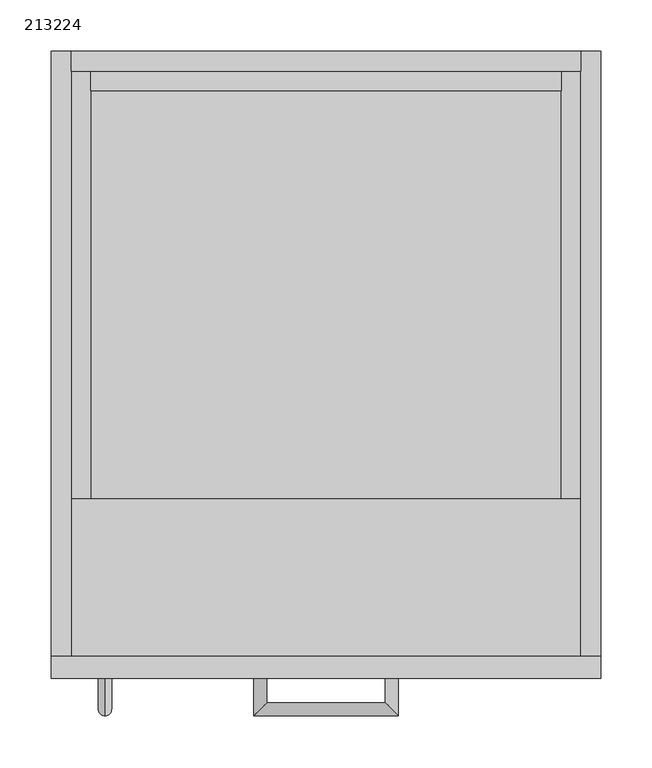
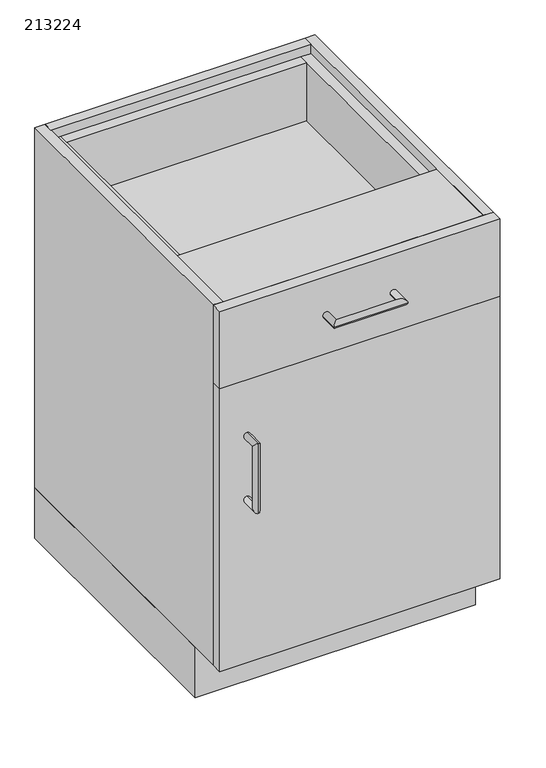
"""IFC4 building model written with IfcOpenShell, lengths in millimetres: furniture geometry, 213224."""

import ifcopenshell
import ifcopenshell.guid

model = None  # the IFC model being written
_history = None  # IfcOwnerHistory: only IFC2X3 demands one
_inside = {}  # id of a spatial element -> (the spatial element, [elements in it])
_under = {}  # id of a project, library or spatial element -> (it, [spatial elements below it])
_declared = {}  # id of a project -> (the project, [libraries it declares])
_typed = {}  # id of a type object -> (the type object, [elements of that type])
_made_of = {}  # id of a material, layer set ... -> (it, [elements and type objects made of it])


def new_model(schema):
    """Start an empty IFC model of exactly this schema.

    Asked for "IFC4X3", IfcOpenShell would pick the latest addendum, in which some entities
    have other attributes; the version numbers below select the first issue.
    IFC2X3 requires an IfcOwnerHistory on every rooted entity: one is made here for all.
    """
    global model, _history
    if schema == "IFC4X3":
        model = ifcopenshell.file(schema_version=(4, 3, 0, 0))
    else:
        model = ifcopenshell.file(schema=schema)
    _inside.clear()
    _under.clear()
    _declared.clear()
    _typed.clear()
    _made_of.clear()
    _history = None
    if model.schema == "IFC2X3":
        org = make("IfcOrganization", Name="unknown")
        user = make(
            "IfcPersonAndOrganization",
            ThePerson=make("IfcPerson", FamilyName="unknown"),
            TheOrganization=org,
        )
        app = make(
            "IfcApplication",
            ApplicationDeveloper=org,
            Version="unknown",
            ApplicationFullName="unknown",
            ApplicationIdentifier="unknown",
        )
        _history = make(
            "IfcOwnerHistory",
            OwningUser=user,
            OwningApplication=app,
            ChangeAction="ADDED",
            CreationDate=0,
        )
    return model


def make(cls, **values):
    """One entity of the class cls with the attributes given. An attribute that is None is left unset."""
    return model.create_entity(
        cls, **{name: value for name, value in values.items() if value is not None}
    )


def rooted(cls, **values):
    """An entity with a GlobalId (a new one), such as an element, a storey or a relation."""
    return make(cls, GlobalId=ifcopenshell.guid.new(), OwnerHistory=_history, **values)


def si_unit(unit_type, name, prefix=None):
    """IfcSIUnit, for example si_unit("LENGTHUNIT", "METRE", prefix="MILLI")."""
    return make("IfcSIUnit", UnitType=unit_type, Prefix=prefix, Name=name)


def assignment(units):
    """IfcUnitAssignment: the units of a project."""
    return None if units is None else make("IfcUnitAssignment", Units=units)


def point(xyz):
    """IfcCartesianPoint."""
    return None if xyz is None else make("IfcCartesianPoint", Coordinates=xyz)


def direction(xyz):
    """IfcDirection."""
    return None if xyz is None else make("IfcDirection", DirectionRatios=xyz)


def frame(location, z_axis=None, x_axis=None):
    """IfcAxis2Placement3D, a coordinate frame: its origin and axes. An axis left out is left unset."""
    return make(
        "IfcAxis2Placement3D",
        Location=point(location),
        Axis=direction(z_axis),
        RefDirection=direction(x_axis),
    )


def origin():
    """The frame at (0, 0, 0) with its axes left unset."""
    return frame((0.0, 0.0, 0.0))


def origin_with_axes():
    """The frame at (0, 0, 0) with the z axis (0, 0, 1) and the x axis (1, 0, 0) written out."""
    return frame((0.0, 0.0, 0.0), z_axis=(0.0, 0.0, 1.0), x_axis=(1.0, 0.0, 0.0))


def place(relative_to, where):
    """IfcLocalPlacement: puts the frame where relative to a parent placement (None: the world)."""
    return make(
        "IfcLocalPlacement", PlacementRelTo=relative_to, RelativePlacement=where
    )


def context(
    kind, dimensions, precision=None, world=None, true_north=None, identifier=None
):
    """IfcGeometricRepresentationContext, for example the 3D "Model" context."""
    return make(
        "IfcGeometricRepresentationContext",
        ContextIdentifier=identifier,
        ContextType=kind,
        CoordinateSpaceDimension=dimensions,
        Precision=precision,
        WorldCoordinateSystem=world,
        TrueNorth=true_north,
    )


def project(units=None, contexts=None):
    """IfcProject with its units and contexts."""
    return rooted(
        "IfcProject",
        Name="project",
        RepresentationContexts=contexts,
        UnitsInContext=assignment(units),
    )


def spatial(cls, under=None, at=None, **own):
    """A site, building, storey or space (cls), placed at a placement, below another one or the project."""
    s = rooted(cls, ObjectPlacement=at, **own)
    if under is not None:
        _under.setdefault(under.id(), (under, []))[1].append(s)
    return s


def polyline(points):
    """IfcPolyline through the points."""
    return make("IfcPolyline", Points=[point(p) for p in points])


def circle_curve(where, radius):
    """IfcCircle in the frame where."""
    return make("IfcCircle", Position=where, Radius=radius)


def ellipse_curve(where, semi_axis1, semi_axis2):
    """IfcEllipse in the frame where."""
    return make(
        "IfcEllipse", Position=where, SemiAxis1=semi_axis1, SemiAxis2=semi_axis2
    )


def outline(outer, holes=None, kind="AREA"):
    """IfcArbitraryClosedProfileDef: a profile drawn as a closed curve; with holes, ...WithVoids."""
    if holes is None:
        return make("IfcArbitraryClosedProfileDef", ProfileType=kind, OuterCurve=outer)
    return make(
        "IfcArbitraryProfileDefWithVoids",
        ProfileType=kind,
        OuterCurve=outer,
        InnerCurves=holes,
    )


def extrude(swept, where, along, depth):
    """IfcExtrudedAreaSolid: the profile swept, set in the frame where, extruded along a direction by depth."""
    return make(
        "IfcExtrudedAreaSolid",
        SweptArea=swept,
        Position=where,
        ExtrudedDirection=direction(along),
        Depth=depth,
    )


def shape(context_of_items, identifier, shape_type, items):
    """IfcShapeRepresentation: the items that make up one representation, for example the "Body"."""
    return make(
        "IfcShapeRepresentation",
        ContextOfItems=context_of_items,
        RepresentationIdentifier=identifier,
        RepresentationType=shape_type,
        Items=items,
    )


def source(mapping_origin, context_of_items, identifier, shape_type, items):
    """IfcRepresentationMap: a shape defined once, which mapped items show again and again."""
    return make(
        "IfcRepresentationMap",
        MappingOrigin=mapping_origin,
        MappedRepresentation=shape(context_of_items, identifier, shape_type, items),
    )


def transform(
    local_origin,
    x_axis=None,
    y_axis=None,
    z_axis=None,
    scale=None,
    scale2=None,
    scale3=None,
    uniform=True,
):
    """IfcCartesianTransformationOperator3D, or its non-uniform kind. x_axis, y_axis, z_axis: its Axis1, 2, 3."""
    if uniform:
        return make(
            "IfcCartesianTransformationOperator3D",
            Axis1=direction(x_axis),
            Axis2=direction(y_axis),
            LocalOrigin=point(local_origin),
            Scale=scale,
            Axis3=direction(z_axis),
        )
    return make(
        "IfcCartesianTransformationOperator3DnonUniform",
        Axis1=direction(x_axis),
        Axis2=direction(y_axis),
        LocalOrigin=point(local_origin),
        Scale=scale,
        Axis3=direction(z_axis),
        Scale2=scale2,
        Scale3=scale3,
    )


def mapped(mapping_source, mapping_target):
    """IfcMappedItem: shows the shape of a source again, moved by a transform."""
    return make(
        "IfcMappedItem", MappingSource=mapping_source, MappingTarget=mapping_target
    )


def made_of(thing, what):
    """Note that an element or type object is made of a material, layer set ...; save() writes the relation."""
    if what is not None:
        _made_of.setdefault(what.id(), (what, []))[1].append(thing)
    return thing


def element(
    cls,
    number,
    at=None,
    inside=None,
    cuts=None,
    type_object=None,
    material=None,
    context=None,
    identifier="Body",
    shape_type=None,
    held_by="IfcProductDefinitionShape",
    body=None,
    shapes=None,
    **own,
):
    """One element of the class cls, such as IfcWall. Its Tag is "e" and its number.

    at: its placement. inside: the storey or other place that contains it. cuts: it is an
    opening in that element (IfcRelVoidsElement). A single representation is given by context,
    identifier, shape_type and body (its items); several are given by shapes. held_by: the class
    of the entity that holds the representations. save() writes the other relations.
    """
    e = rooted(cls, Tag="e%d" % number, ObjectPlacement=at, **own)
    if body is not None:
        shapes = [shape(context, identifier, shape_type, body)]
    if shapes is not None:
        e.Representation = make(held_by, Representations=shapes)
    if inside is not None:
        _inside.setdefault(inside.id(), (inside, []))[1].append(e)
    if cuts is not None:
        rooted(
            "IfcRelVoidsElement", RelatingBuildingElement=cuts, RelatedOpeningElement=e
        )
    if type_object is not None:
        _typed.setdefault(type_object.id(), (type_object, []))[1].append(e)
    return made_of(e, material)


def aggregate(whole, parts):
    """IfcRelAggregates: a whole, such as a stair, and the parts it consists of."""
    return rooted("IfcRelAggregates", RelatingObject=whole, RelatedObjects=parts)


def save(model, path):
    """Write the relations noted so far, then the file.

    IfcRelAggregates (storeys below a building ...), IfcRelContainedInSpatialStructure (elements
    in a storey), IfcRelDefinesByType, IfcRelAssociatesMaterial and IfcRelDeclares: one each for
    every whole, place, type object, material and project.
    """
    for whole, parts in _under.values():
        aggregate(whole, parts)
    for where, things in _inside.values():
        rooted(
            "IfcRelContainedInSpatialStructure",
            RelatedElements=things,
            RelatingStructure=where,
        )
    for kind, things in _typed.values():
        rooted("IfcRelDefinesByType", RelatedObjects=things, RelatingType=kind)
    for what, things in _made_of.values():
        rooted("IfcRelAssociatesMaterial", RelatedObjects=things, RelatingMaterial=what)
    for by, libraries in _declared.values():
        rooted("IfcRelDeclares", RelatingContext=by, RelatedDefinitions=libraries)
    model.write(path)


def plane_surface(at):
    """IfcPlane: the flat surface through the origin of the frame at, square to its z axis."""
    return make("IfcPlane", Position=at)


def cylinder_surface(at, radius):
    """IfcCylindricalSurface: all points at the distance radius from the z axis of the frame at."""
    return make("IfcCylindricalSurface", Position=at, Radius=radius)


def advanced_brep(points, edges, surfaces, faces):
    """IfcAdvancedBrep: a solid bounded by faces that lie on surfaces and meet in shared edges.

    An edge is (start, end): straight between two places in points (the first is 0);
    or (start, end, curve); or (start, end, curve, False) where it runs against its curve.
    A face is (place in surfaces, loops), or (place, loops, False) where it looks against
    its surface's normal. A loop lists edges by number (the first is 1), with a minus sign
    where the edge is run from its end to its start. The first loop is the outer one.
    """
    corners = [point(p) for p in points]
    vertices = [make("IfcVertexPoint", VertexGeometry=c) for c in corners]
    made = []
    for start, end, *more in edges:
        made.append(
            make(
                "IfcEdgeCurve",
                EdgeStart=vertices[start],
                EdgeEnd=vertices[end],
                EdgeGeometry=more[0] if more else make("IfcPolyline", Points=[corners[start], corners[end]]),
                SameSense=more[1] if len(more) > 1 else True,
            )
        )
    hull = []
    for where, loops, *sense in faces:
        bounds = []
        for j, loop in enumerate(loops):
            ring = [make("IfcOrientedEdge", EdgeElement=made[abs(k) - 1], Orientation=k > 0) for k in loop]
            bounds.append(
                make(
                    "IfcFaceOuterBound" if j == 0 else "IfcFaceBound",
                    Bound=make("IfcEdgeLoop", EdgeList=ring),
                    Orientation=True,
                )
            )
        hull.append(make("IfcAdvancedFace", Bounds=bounds, FaceSurface=surfaces[where], SameSense=sense[0] if sense else True))
    return make("IfcAdvancedBrep", Outer=make("IfcClosedShell", CfsFaces=hull))


def furniture_213224_f590a1a5(model_context):
    return source(origin(), model_context, "Body", "SolidModel", [
        extrude(outline(polyline([(-209.5622951, -19.2), (247.0377049, -19.2), (247.0377049, -38.4), (-209.5622951, -38.4), (-209.5622951, -19.2)])), frame((0.0, 0.0, 689.125), z_axis=(0.0, 0.0, 1.0), x_axis=(1.0, 0.0, 0.0)), (0.0, 0.0, 1.0), 117.175),
        extrude(outline(polyline([(806.3, -209.5622951), (806.3, -228.7622951), (669.925, -228.7622951), (669.925, 266.2377049), (806.3, 266.2377049), (806.3, 247.0377049), (689.125, 247.0377049), (689.125, -209.5622951), (806.3, -209.5622951)])), frame((0.0, -587.6, 0.0), z_axis=(0.0, 1.0, 0.0), x_axis=(0.0, 0.0, 1.0)), (0.0, 0.0, 1.0), 568.4),
        extrude(outline(polyline([(-247.9622951, 0.0), (285.4377049, 0.0), (285.4377049, -528.6), (-247.9622951, -528.6), (-247.9622951, 0.0)]), holes=[polyline([(-228.7622951, -509.4), (266.2377049, -509.4), (266.2377049, -19.2), (-228.7622951, -19.2), (-228.7622951, -509.4)])]), origin_with_axes(), (0.0, 0.0, 1.0), 101.5996875),
        extrude(outline(polyline([(266.2377049, -587.6), (-228.7622951, -587.6), (-228.7622951, -19.2), (266.2377049, -19.2), (266.2377049, -587.6)])), frame((0.0, 0.0, 101.5996875), z_axis=(0.0, 0.0, 1.0), x_axis=(1.0, 0.0, 0.0)), (0.0, 0.0, 1.0), 19.2),
        extrude(outline(polyline([(266.2377049, 0.0), (266.2377049, -19.2), (-228.7622951, -19.2), (-228.7622951, 0.0), (266.2377049, 0.0)])), frame((0.0, 0.0, 101.5996875), z_axis=(0.0, 0.0, 1.0), x_axis=(1.0, 0.0, 0.0)), (0.0, 0.0, 1.0), 723.9003125),
        extrude(outline(polyline([(-228.7622951, 0.0), (-228.7622951, -587.6), (-247.9622951, -587.6), (-247.9622951, 0.0), (-228.7622951, 0.0)])), frame((0.0, 0.0, 101.5996875), z_axis=(0.0, 0.0, 1.0), x_axis=(1.0, 0.0, 0.0)), (0.0, 0.0, 1.0), 723.9003125),
        extrude(outline(polyline([(285.4377049, 0.0), (285.4377049, -587.6), (266.2377049, -587.6), (266.2377049, 0.0), (285.4377049, 0.0)])), frame((0.0, 0.0, 101.5996875), z_axis=(0.0, 0.0, 1.0), x_axis=(1.0, 0.0, 0.0)), (0.0, 0.0, 1.0), 723.9003125),
        extrude(outline(polyline([(-228.7622951, -587.6), (-228.7622951, -435.2), (266.2377049, -435.2), (266.2377049, -587.6), (-228.7622951, -587.6)])), frame((0.0, 0.0, 806.3), z_axis=(0.0, 0.0, 1.0), x_axis=(1.0, 0.0, 0.0)), (0.0, 0.0, 1.0), 19.2),
        extrude(outline(polyline([(266.2377049, -19.2), (266.2377049, -587.6), (-228.7622951, -587.6), (-228.7622951, -19.2), (266.2377049, -19.2)])), frame((0.0, 0.0, 385.7623437), z_axis=(0.0, 0.0, 1.0), x_axis=(1.0, 0.0, 0.0)), (0.0, 0.0, 1.0), 19.2),
        advanced_brep(
        [(-195.9622951, -609.6, 551.575), (-195.9622951, -609.6, 564.275), (-195.9622951, -633.25, 551.575), (-195.9622951, -645.95, 564.275), (-195.9622951, -633.25, 436.275), (-195.9622951, -645.95, 423.575), (-195.9622951, -609.6, 436.275), (-195.9622951, -609.6, 423.575)],
        [
            (0, 1, circle_curve(frame((-195.9622951, -609.6, 557.925), z_axis=(0.0, 1.0, 0.0), x_axis=(0.0, 0.0, 1.0)), 6.35)),
            (1, 0, circle_curve(frame((-195.9622951, -609.6, 557.925), z_axis=(0.0, 1.0, 0.0), x_axis=(0.0, 0.0, 1.0)), 6.35)),
            (0, 2),
            (2, 3, ellipse_curve(frame((-195.9622951, -639.6, 557.925), z_axis=(0.0, 0.7071067811865475, 0.7071067811865475), x_axis=(0.0, 0.7071067811865476, -0.7071067811865474)), 8.9802561, 6.35)),
            (3, 1),
            (3, 2, ellipse_curve(frame((-195.9622951, -639.6, 557.925), z_axis=(0.0, 0.7071067811865475, 0.7071067811865475), x_axis=(0.0, 0.7071067811865476, -0.7071067811865474)), 8.9802561, 6.35)),
            (2, 4),
            (4, 5, ellipse_curve(frame((-195.9622951, -639.6, 429.925), z_axis=(0.0, -0.7071067811865475, 0.7071067811865475), x_axis=(0.0, 0.7071067811865474, 0.7071067811865476)), 8.9802561, 6.35)),
            (5, 3),
            (5, 4, ellipse_curve(frame((-195.9622951, -639.6, 429.925), z_axis=(0.0, -0.7071067811865475, 0.7071067811865475), x_axis=(0.0, 0.7071067811865474, 0.7071067811865476)), 8.9802561, 6.35)),
            (6, 7, circle_curve(frame((-195.9622951, -609.6, 429.925), z_axis=(0.0, 1.0, 0.0), x_axis=(0.0, 0.0, -1.0)), 6.35)),
            (7, 6, circle_curve(frame((-195.9622951, -609.6, 429.925), z_axis=(0.0, 1.0, 0.0), x_axis=(0.0, 0.0, -1.0)), 6.35)),
            (4, 6),
            (7, 5),
        ],
        [
            plane_surface(frame((-195.9622951, -609.6, 557.925), z_axis=(0.0, 1.0, 0.0), x_axis=(-1.0, 0.0, 0.0))),
            cylinder_surface(frame((-195.9622951, -609.6, 557.925), z_axis=(0.0, 1.0, 0.0), x_axis=(0.0, 0.0, 1.0)), 6.35),
            cylinder_surface(frame((-195.9622951, -639.6, 557.925), z_axis=(0.0, 0.0, 1.0), x_axis=(0.0, -1.0, 0.0)), 6.35),
            plane_surface(frame((-195.9622951, -609.6, 429.925), z_axis=(0.0, 1.0, 0.0), x_axis=(-1.0, 0.0, 0.0))),
            cylinder_surface(frame((-195.9622951, -639.6, 429.925), z_axis=(0.0, -1.0, 0.0), x_axis=(0.0, 0.0, -1.0)), 6.35),
        ],
        [
            (0, [[1, 2]]),
            (1, [[-1, 3, 4, 5]]),
            (1, [[-2, -5, 6, -3]]),
            (2, [[-4, 7, 8, 9]]),
            (2, [[-6, -9, 10, -7]]),
            (3, [[11, 12]]),
            (4, [[-8, 13, -12, 14]]),
            (4, [[-10, -14, -11, -13]]),
        ],
    ),
        advanced_brep(
        [(-51.6122951, -609.6, 747.7125), (-38.9122951, -609.6, 747.7125), (-51.6122951, -645.95, 747.7125), (-38.9122951, -633.25, 747.7125), (89.0877049, -645.95, 747.7125), (76.3877049, -633.25, 747.7125), (89.0877049, -609.6, 747.7125), (76.3877049, -609.6, 747.7125)],
        [
            (0, 1, circle_curve(frame((-45.2622951, -609.6, 747.7125), z_axis=(0.0, 1.0, 0.0), x_axis=(1.0, 0.0, 0.0)), 6.35)),
            (1, 0, circle_curve(frame((-45.2622951, -609.6, 747.7125), z_axis=(0.0, 1.0, 0.0), x_axis=(1.0, 0.0, 0.0)), 6.35)),
            (0, 2),
            (2, 3, ellipse_curve(frame((-45.2622951, -639.6, 747.7125), z_axis=(-0.7071067811865475, 0.7071067811865475, 0.0), x_axis=(0.7071067811865474, 0.7071067811865476, 0.0)), 8.9802561, 6.35)),
            (3, 1),
            (3, 2, ellipse_curve(frame((-45.2622951, -639.6, 747.7125), z_axis=(-0.7071067811865475, 0.7071067811865475, 0.0), x_axis=(0.7071067811865474, 0.7071067811865476, 0.0)), 8.9802561, 6.35)),
            (2, 4),
            (4, 5, ellipse_curve(frame((82.7377049, -639.6, 747.7125), z_axis=(-0.7071067811865475, -0.7071067811865475, 0.0), x_axis=(-0.7071067811865476, 0.7071067811865474, 0.0)), 8.9802561, 6.35)),
            (5, 3),
            (5, 4, ellipse_curve(frame((82.7377049, -639.6, 747.7125), z_axis=(-0.7071067811865475, -0.7071067811865475, 0.0), x_axis=(-0.7071067811865476, 0.7071067811865474, 0.0)), 8.9802561, 6.35)),
            (6, 7, circle_curve(frame((82.7377049, -609.6, 747.7125), z_axis=(0.0, 1.0, 0.0), x_axis=(-1.0, 0.0, 0.0)), 6.35)),
            (7, 6, circle_curve(frame((82.7377049, -609.6, 747.7125), z_axis=(0.0, 1.0, 0.0), x_axis=(-1.0, 0.0, 0.0)), 6.35)),
            (4, 6),
            (7, 5),
        ],
        [
            plane_surface(frame((-45.2622951, -609.6, 747.7125), z_axis=(0.0, 1.0, 0.0), x_axis=(0.0, 0.0, 1.0))),
            cylinder_surface(frame((-45.2622951, -609.6, 747.7125), z_axis=(0.0, 1.0, 0.0), x_axis=(1.0, 0.0, 0.0)), 6.35),
            cylinder_surface(frame((-45.2622951, -639.6, 747.7125), z_axis=(-1.0, 0.0, 0.0), x_axis=(0.0, 1.0, 0.0)), 6.35),
            plane_surface(frame((82.7377049, -609.6, 747.7125), z_axis=(0.0, 1.0, 0.0), x_axis=(0.0, 0.0, 1.0))),
            cylinder_surface(frame((82.7377049, -639.6, 747.7125), z_axis=(0.0, -1.0, 0.0), x_axis=(-1.0, 0.0, 0.0)), 6.35),
        ],
        [
            (0, [[1, 2]]),
            (1, [[-1, 3, 4, 5]]),
            (1, [[-2, -5, 6, -3]]),
            (2, [[-4, 7, 8, 9]]),
            (2, [[-6, -9, 10, -7]]),
            (3, [[11, 12]]),
            (4, [[-8, 13, -12, 14]]),
            (4, [[-10, -14, -11, -13]]),
        ],
    ),
        extrude(outline(polyline([(-247.9622951, -609.6), (-247.9622951, -587.6), (285.4377049, -587.6), (285.4377049, -609.6), (-247.9622951, -609.6)])), frame((0.0, 0.0, 669.925), z_axis=(0.0, 0.0, 1.0), x_axis=(1.0, 0.0, 0.0)), (0.0, 0.0, 1.0), 155.575),
        extrude(outline(polyline([(-247.9622951, -587.6), (285.4377049, -587.6), (285.4377049, -609.6), (-247.9622951, -609.6), (-247.9622951, -587.6)])), frame((0.0, 0.0, 101.5996875), z_axis=(0.0, 0.0, 1.0), x_axis=(1.0, 0.0, 0.0)), (0.0, 0.0, 1.0), 568.3253125),
    ])


if __name__ == "__main__":
    model = new_model("IFC4")
    model_context = context("Model", 3, world=origin())
    ifc_project = project(units=[si_unit("LENGTHUNIT", "METRE", prefix="MILLI")], contexts=[model_context])
    site = spatial("IfcSite", under=ifc_project)
    building = spatial("IfcBuilding", under=site)
    placement = place(None, origin())
    furniture_213224_shape = furniture_213224_f590a1a5(model_context)
    element("IfcFurniture", 1, ObjectType="213224", at=placement, inside=building, context=model_context, shape_type="MappedRepresentation", body=[
        mapped(furniture_213224_shape, transform((0.0, 0.0, 0.0), x_axis=(1.0, 0.0, 0.0), y_axis=(0.0, 1.0, 0.0), z_axis=(0.0, 0.0, 1.0))),
    ])
    save(model, "model.ifc")
